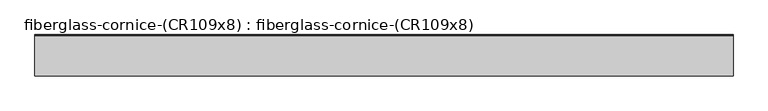
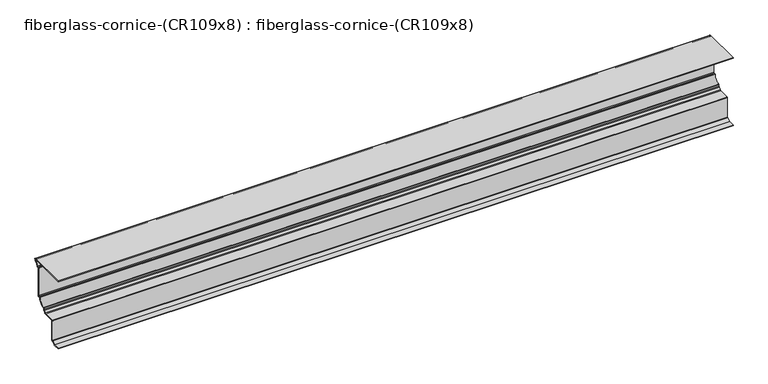
"""IFC4 building model written with IfcOpenShell, lengths in millimetres: furniture geometry, fiberglass-cornice-(CR109x8) : fiberglass-cornice-(CR109x8)."""

import ifcopenshell
import ifcopenshell.guid

model = None  # the IFC model being written
_history = None  # IfcOwnerHistory: only IFC2X3 demands one
_inside = {}  # id of a spatial element -> (the spatial element, [elements in it])
_under = {}  # id of a project, library or spatial element -> (it, [spatial elements below it])
_declared = {}  # id of a project -> (the project, [libraries it declares])
_typed = {}  # id of a type object -> (the type object, [elements of that type])
_made_of = {}  # id of a material, layer set ... -> (it, [elements and type objects made of it])


def new_model(schema):
    """Start an empty IFC model of exactly this schema.

    Asked for "IFC4X3", IfcOpenShell would pick the latest addendum, in which some entities
    have other attributes; the version numbers below select the first issue.
    IFC2X3 requires an IfcOwnerHistory on every rooted entity: one is made here for all.
    """
    global model, _history
    if schema == "IFC4X3":
        model = ifcopenshell.file(schema_version=(4, 3, 0, 0))
    else:
        model = ifcopenshell.file(schema=schema)
    _inside.clear()
    _under.clear()
    _declared.clear()
    _typed.clear()
    _made_of.clear()
    _history = None
    if model.schema == "IFC2X3":
        org = make("IfcOrganization", Name="unknown")
        user = make(
            "IfcPersonAndOrganization",
            ThePerson=make("IfcPerson", FamilyName="unknown"),
            TheOrganization=org,
        )
        app = make(
            "IfcApplication",
            ApplicationDeveloper=org,
            Version="unknown",
            ApplicationFullName="unknown",
            ApplicationIdentifier="unknown",
        )
        _history = make(
            "IfcOwnerHistory",
            OwningUser=user,
            OwningApplication=app,
            ChangeAction="ADDED",
            CreationDate=0,
        )
    return model


def make(cls, **values):
    """One entity of the class cls with the attributes given. An attribute that is None is left unset."""
    return model.create_entity(
        cls, **{name: value for name, value in values.items() if value is not None}
    )


def rooted(cls, **values):
    """An entity with a GlobalId (a new one), such as an element, a storey or a relation."""
    return make(cls, GlobalId=ifcopenshell.guid.new(), OwnerHistory=_history, **values)


def si_unit(unit_type, name, prefix=None):
    """IfcSIUnit, for example si_unit("LENGTHUNIT", "METRE", prefix="MILLI")."""
    return make("IfcSIUnit", UnitType=unit_type, Prefix=prefix, Name=name)


def assignment(units):
    """IfcUnitAssignment: the units of a project."""
    return None if units is None else make("IfcUnitAssignment", Units=units)


def point(xyz):
    """IfcCartesianPoint."""
    return None if xyz is None else make("IfcCartesianPoint", Coordinates=xyz)


def direction(xyz):
    """IfcDirection."""
    return None if xyz is None else make("IfcDirection", DirectionRatios=xyz)


def frame(location, z_axis=None, x_axis=None):
    """IfcAxis2Placement3D, a coordinate frame: its origin and axes. An axis left out is left unset."""
    return make(
        "IfcAxis2Placement3D",
        Location=point(location),
        Axis=direction(z_axis),
        RefDirection=direction(x_axis),
    )


def origin():
    """The frame at (0, 0, 0) with its axes left unset."""
    return frame((0.0, 0.0, 0.0))


def place(relative_to, where):
    """IfcLocalPlacement: puts the frame where relative to a parent placement (None: the world)."""
    return make(
        "IfcLocalPlacement", PlacementRelTo=relative_to, RelativePlacement=where
    )


def context(
    kind, dimensions, precision=None, world=None, true_north=None, identifier=None
):
    """IfcGeometricRepresentationContext, for example the 3D "Model" context."""
    return make(
        "IfcGeometricRepresentationContext",
        ContextIdentifier=identifier,
        ContextType=kind,
        CoordinateSpaceDimension=dimensions,
        Precision=precision,
        WorldCoordinateSystem=world,
        TrueNorth=true_north,
    )


def project(units=None, contexts=None):
    """IfcProject with its units and contexts."""
    return rooted(
        "IfcProject",
        Name="project",
        RepresentationContexts=contexts,
        UnitsInContext=assignment(units),
    )


def spatial(cls, under=None, at=None, **own):
    """A site, building, storey or space (cls), placed at a placement, below another one or the project."""
    s = rooted(cls, ObjectPlacement=at, **own)
    if under is not None:
        _under.setdefault(under.id(), (under, []))[1].append(s)
    return s


def polyline(points):
    """IfcPolyline through the points."""
    return make("IfcPolyline", Points=[point(p) for p in points])


def circle_curve(where, radius):
    """IfcCircle in the frame where."""
    return make("IfcCircle", Position=where, Radius=radius)


def shape(context_of_items, identifier, shape_type, items):
    """IfcShapeRepresentation: the items that make up one representation, for example the "Body"."""
    return make(
        "IfcShapeRepresentation",
        ContextOfItems=context_of_items,
        RepresentationIdentifier=identifier,
        RepresentationType=shape_type,
        Items=items,
    )


def source(mapping_origin, context_of_items, identifier, shape_type, items):
    """IfcRepresentationMap: a shape defined once, which mapped items show again and again."""
    return make(
        "IfcRepresentationMap",
        MappingOrigin=mapping_origin,
        MappedRepresentation=shape(context_of_items, identifier, shape_type, items),
    )


def transform(
    local_origin,
    x_axis=None,
    y_axis=None,
    z_axis=None,
    scale=None,
    scale2=None,
    scale3=None,
    uniform=True,
):
    """IfcCartesianTransformationOperator3D, or its non-uniform kind. x_axis, y_axis, z_axis: its Axis1, 2, 3."""
    if uniform:
        return make(
            "IfcCartesianTransformationOperator3D",
            Axis1=direction(x_axis),
            Axis2=direction(y_axis),
            LocalOrigin=point(local_origin),
            Scale=scale,
            Axis3=direction(z_axis),
        )
    return make(
        "IfcCartesianTransformationOperator3DnonUniform",
        Axis1=direction(x_axis),
        Axis2=direction(y_axis),
        LocalOrigin=point(local_origin),
        Scale=scale,
        Axis3=direction(z_axis),
        Scale2=scale2,
        Scale3=scale3,
    )


def mapped(mapping_source, mapping_target):
    """IfcMappedItem: shows the shape of a source again, moved by a transform."""
    return make(
        "IfcMappedItem", MappingSource=mapping_source, MappingTarget=mapping_target
    )


def made_of(thing, what):
    """Note that an element or type object is made of a material, layer set ...; save() writes the relation."""
    if what is not None:
        _made_of.setdefault(what.id(), (what, []))[1].append(thing)
    return thing


def element(
    cls,
    number,
    at=None,
    inside=None,
    cuts=None,
    type_object=None,
    material=None,
    context=None,
    identifier="Body",
    shape_type=None,
    held_by="IfcProductDefinitionShape",
    body=None,
    shapes=None,
    **own,
):
    """One element of the class cls, such as IfcWall. Its Tag is "e" and its number.

    at: its placement. inside: the storey or other place that contains it. cuts: it is an
    opening in that element (IfcRelVoidsElement). A single representation is given by context,
    identifier, shape_type and body (its items); several are given by shapes. held_by: the class
    of the entity that holds the representations. save() writes the other relations.
    """
    e = rooted(cls, Tag="e%d" % number, ObjectPlacement=at, **own)
    if body is not None:
        shapes = [shape(context, identifier, shape_type, body)]
    if shapes is not None:
        e.Representation = make(held_by, Representations=shapes)
    if inside is not None:
        _inside.setdefault(inside.id(), (inside, []))[1].append(e)
    if cuts is not None:
        rooted(
            "IfcRelVoidsElement", RelatingBuildingElement=cuts, RelatedOpeningElement=e
        )
    if type_object is not None:
        _typed.setdefault(type_object.id(), (type_object, []))[1].append(e)
    return made_of(e, material)


def aggregate(whole, parts):
    """IfcRelAggregates: a whole, such as a stair, and the parts it consists of."""
    return rooted("IfcRelAggregates", RelatingObject=whole, RelatedObjects=parts)


def save(model, path):
    """Write the relations noted so far, then the file.

    IfcRelAggregates (storeys below a building ...), IfcRelContainedInSpatialStructure (elements
    in a storey), IfcRelDefinesByType, IfcRelAssociatesMaterial and IfcRelDeclares: one each for
    every whole, place, type object, material and project.
    """
    for whole, parts in _under.values():
        aggregate(whole, parts)
    for where, things in _inside.values():
        rooted(
            "IfcRelContainedInSpatialStructure",
            RelatedElements=things,
            RelatingStructure=where,
        )
    for kind, things in _typed.values():
        rooted("IfcRelDefinesByType", RelatedObjects=things, RelatingType=kind)
    for what, things in _made_of.values():
        rooted("IfcRelAssociatesMaterial", RelatedObjects=things, RelatingMaterial=what)
    for by, libraries in _declared.values():
        rooted("IfcRelDeclares", RelatingContext=by, RelatedDefinitions=libraries)
    model.write(path)


def plane_surface(at):
    """IfcPlane: the flat surface through the origin of the frame at, square to its z axis."""
    return make("IfcPlane", Position=at)


def cylinder_surface(at, radius):
    """IfcCylindricalSurface: all points at the distance radius from the z axis of the frame at."""
    return make("IfcCylindricalSurface", Position=at, Radius=radius)


def revolved_surface(curve, axis_point, axis_direction):
    """IfcSurfaceOfRevolution: the curve turned about the line through axis_point along axis_direction."""
    return make(
        "IfcSurfaceOfRevolution",
        SweptCurve=make("IfcArbitraryOpenProfileDef", ProfileType="CURVE", Curve=curve),
        AxisPosition=make("IfcAxis1Placement", Location=point(axis_point), Axis=direction(axis_direction)),
    )


def advanced_brep(points, edges, surfaces, faces):
    """IfcAdvancedBrep: a solid bounded by faces that lie on surfaces and meet in shared edges.

    An edge is (start, end): straight between two places in points (the first is 0);
    or (start, end, curve); or (start, end, curve, False) where it runs against its curve.
    A face is (place in surfaces, loops), or (place, loops, False) where it looks against
    its surface's normal. A loop lists edges by number (the first is 1), with a minus sign
    where the edge is run from its end to its start. The first loop is the outer one.
    """
    corners = [point(p) for p in points]
    vertices = [make("IfcVertexPoint", VertexGeometry=c) for c in corners]
    made = []
    for start, end, *more in edges:
        made.append(
            make(
                "IfcEdgeCurve",
                EdgeStart=vertices[start],
                EdgeEnd=vertices[end],
                EdgeGeometry=more[0] if more else make("IfcPolyline", Points=[corners[start], corners[end]]),
                SameSense=more[1] if len(more) > 1 else True,
            )
        )
    hull = []
    for where, loops, *sense in faces:
        bounds = []
        for j, loop in enumerate(loops):
            ring = [make("IfcOrientedEdge", EdgeElement=made[abs(k) - 1], Orientation=k > 0) for k in loop]
            bounds.append(
                make(
                    "IfcFaceOuterBound" if j == 0 else "IfcFaceBound",
                    Bound=make("IfcEdgeLoop", EdgeList=ring),
                    Orientation=True,
                )
            )
        hull.append(make("IfcAdvancedFace", Bounds=bounds, FaceSurface=surfaces[where], SameSense=sense[0] if sense else True))
    return make("IfcAdvancedBrep", Outer=make("IfcClosedShell", CfsFaces=hull))


def fiberglass_cornice_cr109x8_fiberglass_cornice_cr109x8_46ac6858(model_context):
    return source(origin(), model_context, "Body", "AdvancedBrep", [
        advanced_brep(
        [(2012.9498044, 101.6, 330.1999904), (2012.9498044, 101.6, 326.7075159), (2012.9498044, 330.5800644, 326.7075159), (2012.9498044, 334.2664711, 319.778644), (2012.9498044, 327.4334153, 313.5386179), (2012.9498044, 313.7678753, 297.058719), (2012.9498044, 309.5063673, 293.8776709), (2012.9498044, 304.4761467, 293.877665), (2012.9498044, 302.5758949, 291.977227), (2012.9498044, 302.5758949, 119.3625517), (2012.9498044, 298.1308895, 114.9175536), (2012.9498044, 290.1271402, 114.9175502), (2012.9498044, 288.2197195, 112.9468366), (2012.9498044, 249.8963796, 75.1443007), (2012.9498044, 247.899839, 73.2126254), (2012.9498044, 247.899839, 63.66596), (2012.9498044, 245.0169938, 59.5045897), (2012.9498044, 234.0837271, 48.3440768), (2012.9498044, 229.8973546, 45.3755297), (2012.9498044, 162.2994629, 45.3755297), (2012.9498044, 160.3945165, 43.4705253), (2012.9498044, 160.3944984, -78.7939943), (2012.9498044, 157.5332035, -82.2204248), (2012.9498044, 138.3634782, -93.7106914), (2012.9498044, 101.6, -93.7106914), (2012.9498044, 101.6, -97.2031914), (2012.9498044, 138.5287162, -97.2031914), (2012.9498044, 141.1346308, -95.8419813), (2012.9498044, 158.4675566, -85.6292824), (2012.9498044, 159.8919814, -83.9885744), (2012.9498044, 161.4803957, -82.3395923), (2012.9498044, 163.6206151, -82.3395923), (2012.9498044, 165.2070008, -80.7520927), (2012.9498044, 165.2072159, 38.6710672), (2012.9498044, 168.3820008, 41.8830253), (2012.9498044, 233.5774063, 41.8830253), (2012.9498044, 236.7130273, 44.5595221), (2012.9498044, 248.7930949, 56.9424353), (2012.9498044, 251.39212, 60.0647546), (2012.9498044, 251.3921944, 68.5105201), (2012.9498044, 254.3535995, 71.7000635), (2012.9498044, 291.6074181, 108.502199), (2012.9498044, 294.7723901, 111.4250536), (2012.9498044, 302.9001636, 111.4250608), (2012.9498044, 306.0682503, 114.5703226), (2012.9498044, 306.0682503, 287.2101702), (2012.9498044, 309.251462, 290.3851606), (2012.9498044, 313.2980553, 290.3851606), (2012.9498044, 316.4333505, 293.0594054), (2012.9498044, 329.0690578, 310.4524332), (2012.9498044, 340.704306, 326.4317504), (2012.9498044, 337.5936981, 330.1999904), (-2012.9498044, 101.6, 330.1999904), (-2012.9498044, 337.5936981, 330.1999904), (-2012.9498044, 340.704306, 326.4317504), (-2012.9498044, 329.0690578, 310.4524332), (-2012.9498044, 316.4333505, 293.0594054), (-2012.9498044, 313.2980899, 290.3851709), (-2012.9498044, 309.251462, 290.3851606), (-2012.9498044, 306.0683895, 287.2101709), (-2012.9498044, 306.0682503, 114.5703226), (-2012.9498044, 302.9001636, 111.4250608), (-2012.9498044, 294.7724548, 111.4250608), (-2012.9498044, 291.6074181, 108.502199), (-2012.9498044, 254.3535995, 71.7000635), (-2012.9498044, 251.3921944, 68.5105201), (-2012.9498044, 251.3921944, 60.0647517), (-2012.9498044, 248.7930949, 56.9424353), (-2012.9498044, 236.7130273, 44.5595221), (-2012.9498044, 233.5774063, 41.8830253), (-2012.9498044, 168.3820008, 41.8830253), (-2012.9498044, 165.2072159, 38.6710672), (-2012.9498044, 165.2072159, -80.7520933), (-2012.9498044, 163.6206151, -82.3395923), (-2012.9498044, 161.4803957, -82.3395923), (-2012.9498044, 159.8919814, -83.9885744), (-2012.9498044, 158.4675566, -85.6292824), (-2012.9498044, 141.1346308, -95.8419813), (-2012.9498044, 138.5287162, -97.2031914), (-2012.9498044, 101.6, -97.2031914), (-2012.9498044, 101.6, -93.7106914), (-2012.9498044, 138.3634782, -93.7106914), (-2012.9498044, 157.5332035, -82.2204248), (-2012.9498044, 160.3944984, -78.7939943), (-2012.9498044, 160.3944984, 43.4705205), (-2012.9498044, 162.2995165, 45.3755253), (-2012.9498044, 229.8973546, 45.3755297), (-2012.9498044, 234.0837271, 48.3440768), (-2012.9498044, 245.0169938, 59.5045897), (-2012.9498044, 247.89962, 63.6659613), (-2012.9498044, 247.899839, 73.2126254), (-2012.9498044, 249.8963796, 75.1443007), (-2012.9498044, 288.2197195, 112.9468366), (-2012.9498044, 290.1271402, 114.9175502), (-2012.9498044, 298.1308189, 114.9175502), (-2012.9498044, 302.5758895, 119.3625536), (-2012.9498044, 302.5758949, 291.977227), (-2012.9498044, 304.4761467, 293.877665), (-2012.9498044, 309.5062462, 293.877665), (-2012.9498044, 313.7678753, 297.058719), (-2012.9498044, 327.4334153, 313.5386179), (-2012.9498044, 334.2664711, 319.778644), (-2012.9498044, 330.5802161, 326.7075017), (-2012.9498044, 101.6, 326.7075159)],
        [
            (0, 1),
            (1, 2),
            (2, 3, circle_curve(frame((2012.9498044, 330.5802161, 322.2625017), z_axis=(-1.0, 0.0, 0.0), x_axis=(0.0, 1.0, 0.0)), 4.445)),
            (3, 4, circle_curve(frame((2012.9498044, 317.9775256, 330.754397), z_axis=(-1.0, 0.0, 0.0), x_axis=(0.0, 1.0, 0.0)), 19.6417132)),
            (4, 5, circle_curve(frame((2012.9498044, 339.8759019, 289.3151486), z_axis=(1.0, 0.0, 0.0), x_axis=(0.0, 1.0, 0.0)), 27.2321857)),
            (5, 6, circle_curve(frame((2012.9498044, 309.5063673, 298.3226709), z_axis=(-1.0, 0.0, 0.0), x_axis=(0.0, 1.0, 0.0)), 4.445)),
            (6, 7),
            (7, 8, circle_curve(frame((2012.9498044, 304.4808895, 291.9726709), z_axis=(1.0, 0.0, 0.0), x_axis=(0.0, 1.0, 0.0)), 1.905)),
            (8, 9),
            (9, 10, circle_curve(frame((2012.9498044, 298.1308895, 119.3625536), z_axis=(-1.0, 0.0, 0.0), x_axis=(0.0, 1.0, 0.0)), 4.445)),
            (10, 11),
            (11, 12, circle_curve(frame((2012.9498044, 290.1235856, 113.0125536), z_axis=(1.0, 0.0, 0.0), x_axis=(0.0, 1.0, 0.0)), 1.905)),
            (12, 13, circle_curve(frame((2012.9498044, 251.658501, 111.6848301), z_axis=(-1.0, 0.0, 0.0), x_axis=(0.0, 1.0, 0.0)), 36.5829927)),
            (13, 14, circle_curve(frame((2012.9498044, 249.80462, 73.2415119), z_axis=(1.0, 0.0, 0.0), x_axis=(0.0, 1.0, 0.0)), 1.905)),
            (14, 15),
            (15, 16, circle_curve(frame((2012.9498044, 243.45462, 63.6659613), z_axis=(-1.0, 0.0, 0.0), x_axis=(0.0, 1.0, 0.0)), 4.445)),
            (16, 17, circle_curve(frame((2012.9498044, 251.5113672, 42.2068722), z_axis=(1.0, 0.0, 0.0), x_axis=(0.0, 1.0, 0.0)), 18.4766858)),
            (17, 18, circle_curve(frame((2012.9498044, 229.8910997, 49.8205253), z_axis=(-1.0, 0.0, 0.0), x_axis=(0.0, 1.0, 0.0)), 4.445)),
            (18, 19),
            (19, 20, circle_curve(frame((2012.9498044, 162.2995165, 43.4705253), z_axis=(1.0, 0.0, 0.0), x_axis=(0.0, 1.0, 0.0)), 1.905)),
            (20, 21),
            (21, 22, circle_curve(frame((2012.9498044, 156.8988131, -78.7827671), z_axis=(-1.0, 0.0, 0.0), x_axis=(0.0, 1.0, 0.0)), 3.4957034)),
            (22, 23, circle_curve(frame((2012.9498044, 160.9265808, -109.6177358), z_axis=(1.0, 0.0, 0.0), x_axis=(0.0, 1.0, 0.0)), 27.6066597)),
            (23, 24),
            (24, 25),
            (25, 26),
            (26, 27, circle_curve(frame((2012.9498044, 138.5287162, -94.0281914), z_axis=(1.0, 0.0, 0.0), x_axis=(0.0, 1.0, 0.0)), 3.175)),
            (27, 28, circle_curve(frame((2012.9498044, 160.9265808, -109.6177358), z_axis=(-1.0, 0.0, 0.0), x_axis=(0.0, 1.0, 0.0)), 24.1141597)),
            (28, 29, circle_curve(frame((2012.9498044, 158.3056724, -84.050058), z_axis=(1.0, 0.0, 0.0), x_axis=(0.0, 1.0, 0.0)), 1.5875)),
            (29, 30, circle_curve(frame((2012.9498044, 161.4782903, -83.9270909), z_axis=(-1.0, 0.0, 0.0), x_axis=(0.0, 1.0, 0.0)), 1.5875)),
            (30, 31),
            (31, 32, circle_curve(frame((2012.9498044, 163.6195008, -80.7520927), z_axis=(1.0, 0.0, 0.0), x_axis=(0.0, 1.0, 0.0)), 1.5875)),
            (32, 33),
            (33, 34, circle_curve(frame((2012.9498044, 168.3820008, 38.7080253), z_axis=(-1.0, 0.0, 0.0), x_axis=(0.0, 1.0, 0.0)), 3.175)),
            (34, 35),
            (35, 36, circle_curve(frame((2012.9498044, 233.5774063, 45.0580253), z_axis=(1.0, 0.0, 0.0), x_axis=(0.0, 1.0, 0.0)), 3.175)),
            (36, 37, circle_curve(frame((2012.9498044, 251.5113672, 42.2068722), z_axis=(-1.0, 0.0, 0.0), x_axis=(0.0, 1.0, 0.0)), 14.9841858)),
            (37, 38, circle_curve(frame((2012.9498044, 248.21712, 60.0647546), z_axis=(1.0, 0.0, 0.0), x_axis=(0.0, 1.0, 0.0)), 3.175)),
            (38, 39),
            (39, 40, circle_curve(frame((2012.9498044, 254.56712, 68.5322513), z_axis=(-1.0, 0.0, 0.0), x_axis=(0.0, 1.0, 0.0)), 3.175)),
            (40, 41, circle_curve(frame((2012.9498044, 251.658501, 111.6848301), z_axis=(1.0, 0.0, 0.0), x_axis=(0.0, 1.0, 0.0)), 40.0754927)),
            (41, 42, circle_curve(frame((2012.9498044, 294.7723901, 108.2500536), z_axis=(-1.0, 0.0, 0.0), x_axis=(0.0, 1.0, 0.0)), 3.175)),
            (42, 43),
            (43, 44, circle_curve(frame((2012.9498044, 302.8933895, 114.6000536), z_axis=(1.0, 0.0, 0.0), x_axis=(0.0, 1.0, 0.0)), 3.175)),
            (44, 45),
            (45, 46, circle_curve(frame((2012.9498044, 309.2433895, 287.2101709), z_axis=(-1.0, 0.0, 0.0), x_axis=(0.0, 1.0, 0.0)), 3.175)),
            (46, 47),
            (47, 48, circle_curve(frame((2012.9498044, 313.2980899, 293.5601709), z_axis=(1.0, 0.0, 0.0), x_axis=(0.0, 1.0, 0.0)), 3.175)),
            (48, 49, circle_curve(frame((2012.9498044, 339.8759019, 289.3151486), z_axis=(-1.0, 0.0, 0.0), x_axis=(0.0, 1.0, 0.0)), 23.7396857)),
            (49, 50, circle_curve(frame((2012.9498044, 317.9775256, 330.754397), z_axis=(1.0, 0.0, 0.0), x_axis=(0.0, 1.0, 0.0)), 23.1342132)),
            (50, 51, circle_curve(frame((2012.9498044, 337.5852232, 327.0250017), z_axis=(1.0, 0.0, 0.0), x_axis=(0.0, 1.0, 0.0)), 3.175)),
            (51, 0),
            (52, 53),
            (53, 54, circle_curve(frame((-2012.9498044, 337.5852232, 327.0250017), z_axis=(-1.0, 0.0, 0.0), x_axis=(0.0, 1.0, 0.0)), 3.175)),
            (54, 55, circle_curve(frame((-2012.9498044, 317.9775256, 330.754397), z_axis=(-1.0, 0.0, 0.0), x_axis=(0.0, 1.0, 0.0)), 23.1342132)),
            (55, 56, circle_curve(frame((-2012.9498044, 339.8759019, 289.3151486), z_axis=(1.0, 0.0, 0.0), x_axis=(0.0, 1.0, 0.0)), 23.7396857)),
            (56, 57, circle_curve(frame((-2012.9498044, 313.2980899, 293.5601709), z_axis=(-1.0, 0.0, 0.0), x_axis=(0.0, 1.0, 0.0)), 3.175)),
            (57, 58),
            (58, 59, circle_curve(frame((-2012.9498044, 309.2433895, 287.2101709), z_axis=(1.0, 0.0, 0.0), x_axis=(0.0, 1.0, 0.0)), 3.175)),
            (59, 60),
            (60, 61, circle_curve(frame((-2012.9498044, 302.8933895, 114.6000536), z_axis=(-1.0, 0.0, 0.0), x_axis=(0.0, 1.0, 0.0)), 3.175)),
            (61, 62),
            (62, 63, circle_curve(frame((-2012.9498044, 294.7723901, 108.2500536), z_axis=(1.0, 0.0, 0.0), x_axis=(0.0, 1.0, 0.0)), 3.175)),
            (63, 64, circle_curve(frame((-2012.9498044, 251.658501, 111.6848301), z_axis=(-1.0, 0.0, 0.0), x_axis=(0.0, 1.0, 0.0)), 40.0754927)),
            (64, 65, circle_curve(frame((-2012.9498044, 254.56712, 68.5322513), z_axis=(1.0, 0.0, 0.0), x_axis=(0.0, 1.0, 0.0)), 3.175)),
            (65, 66),
            (66, 67, circle_curve(frame((-2012.9498044, 248.21712, 60.0647546), z_axis=(-1.0, 0.0, 0.0), x_axis=(0.0, 1.0, 0.0)), 3.175)),
            (67, 68, circle_curve(frame((-2012.9498044, 251.5113672, 42.2068722), z_axis=(1.0, 0.0, 0.0), x_axis=(0.0, 1.0, 0.0)), 14.9841858)),
            (68, 69, circle_curve(frame((-2012.9498044, 233.5774063, 45.0580253), z_axis=(-1.0, 0.0, 0.0), x_axis=(0.0, 1.0, 0.0)), 3.175)),
            (69, 70),
            (70, 71, circle_curve(frame((-2012.9498044, 168.3820008, 38.7080253), z_axis=(1.0, 0.0, 0.0), x_axis=(0.0, 1.0, 0.0)), 3.175)),
            (71, 72),
            (72, 73, circle_curve(frame((-2012.9498044, 163.6195008, -80.7520927), z_axis=(-1.0, 0.0, 0.0), x_axis=(0.0, 1.0, 0.0)), 1.5875)),
            (73, 74),
            (74, 75, circle_curve(frame((-2012.9498044, 161.4782903, -83.9270909), z_axis=(1.0, 0.0, 0.0), x_axis=(0.0, 1.0, 0.0)), 1.5875)),
            (75, 76, circle_curve(frame((-2012.9498044, 158.3056724, -84.050058), z_axis=(-1.0, 0.0, 0.0), x_axis=(0.0, 1.0, 0.0)), 1.5875)),
            (76, 77, circle_curve(frame((-2012.9498044, 160.9265808, -109.6177358), z_axis=(1.0, 0.0, 0.0), x_axis=(0.0, 1.0, 0.0)), 24.1141597)),
            (77, 78, circle_curve(frame((-2012.9498044, 138.5287162, -94.0281914), z_axis=(-1.0, 0.0, 0.0), x_axis=(0.0, 1.0, 0.0)), 3.175)),
            (78, 79),
            (79, 80),
            (80, 81),
            (81, 82, circle_curve(frame((-2012.9498044, 160.9265808, -109.6177358), z_axis=(-1.0, 0.0, 0.0), x_axis=(0.0, 1.0, 0.0)), 27.6066597)),
            (82, 83, circle_curve(frame((-2012.9498044, 156.8988131, -78.7827671), z_axis=(1.0, 0.0, 0.0), x_axis=(0.0, 1.0, 0.0)), 3.4957034)),
            (83, 84),
            (84, 85, circle_curve(frame((-2012.9498044, 162.2995165, 43.4705253), z_axis=(-1.0, 0.0, 0.0), x_axis=(0.0, 1.0, 0.0)), 1.905)),
            (85, 86),
            (86, 87, circle_curve(frame((-2012.9498044, 229.8910997, 49.8205253), z_axis=(1.0, 0.0, 0.0), x_axis=(0.0, 1.0, 0.0)), 4.445)),
            (87, 88, circle_curve(frame((-2012.9498044, 251.5113672, 42.2068722), z_axis=(-1.0, 0.0, 0.0), x_axis=(0.0, 1.0, 0.0)), 18.4766858)),
            (88, 89, circle_curve(frame((-2012.9498044, 243.45462, 63.6659613), z_axis=(1.0, 0.0, 0.0), x_axis=(0.0, 1.0, 0.0)), 4.445)),
            (89, 90),
            (90, 91, circle_curve(frame((-2012.9498044, 249.80462, 73.2415119), z_axis=(-1.0, 0.0, 0.0), x_axis=(0.0, 1.0, 0.0)), 1.905)),
            (91, 92, circle_curve(frame((-2012.9498044, 251.658501, 111.6848301), z_axis=(1.0, 0.0, 0.0), x_axis=(0.0, 1.0, 0.0)), 36.5829927)),
            (92, 93, circle_curve(frame((-2012.9498044, 290.1235856, 113.0125536), z_axis=(-1.0, 0.0, 0.0), x_axis=(0.0, 1.0, 0.0)), 1.905)),
            (93, 94),
            (94, 95, circle_curve(frame((-2012.9498044, 298.1308895, 119.3625536), z_axis=(1.0, 0.0, 0.0), x_axis=(0.0, 1.0, 0.0)), 4.445)),
            (95, 96),
            (96, 97, circle_curve(frame((-2012.9498044, 304.4808895, 291.9726709), z_axis=(-1.0, 0.0, 0.0), x_axis=(0.0, 1.0, 0.0)), 1.905)),
            (97, 98),
            (98, 99, circle_curve(frame((-2012.9498044, 309.5063673, 298.3226709), z_axis=(1.0, 0.0, 0.0), x_axis=(0.0, 1.0, 0.0)), 4.445)),
            (99, 100, circle_curve(frame((-2012.9498044, 339.8759019, 289.3151486), z_axis=(-1.0, 0.0, 0.0), x_axis=(0.0, 1.0, 0.0)), 27.2321857)),
            (100, 101, circle_curve(frame((-2012.9498044, 317.9775256, 330.754397), z_axis=(1.0, 0.0, 0.0), x_axis=(0.0, 1.0, 0.0)), 19.6417132)),
            (101, 102, circle_curve(frame((-2012.9498044, 330.5802161, 322.2625017), z_axis=(1.0, 0.0, 0.0), x_axis=(0.0, 1.0, 0.0)), 4.445)),
            (102, 103),
            (103, 52),
            (0, 52),
            (103, 1),
            (102, 2),
            (101, 3),
            (100, 4),
            (99, 5),
            (98, 6),
            (97, 7),
            (96, 8),
            (95, 9),
            (94, 10),
            (93, 11),
            (92, 12),
            (91, 13),
            (90, 14),
            (89, 15),
            (88, 16),
            (87, 17),
            (86, 18),
            (85, 19),
            (84, 20),
            (83, 21),
            (82, 22),
            (81, 23),
            (80, 24),
            (79, 25),
            (78, 26),
            (77, 27),
            (76, 28),
            (75, 29),
            (74, 30),
            (73, 31),
            (72, 32),
            (71, 33),
            (70, 34),
            (69, 35),
            (68, 36),
            (67, 37),
            (66, 38),
            (65, 39),
            (64, 40),
            (63, 41),
            (62, 42),
            (61, 43),
            (60, 44),
            (59, 45),
            (58, 46),
            (57, 47),
            (56, 48),
            (55, 49),
            (54, 50),
            (53, 51),
        ],
        [
            plane_surface(frame((2012.9498044, 101.6, 330.1999904), z_axis=(1.0, 0.0, 0.0), x_axis=(0.0, 0.0, 1.0))),
            plane_surface(frame((-2012.9498044, 101.6, 330.1999904), z_axis=(-1.0, 0.0, 0.0), x_axis=(0.0, 0.0, 1.0))),
            plane_surface(frame((2012.9498044, 101.6, 330.1999904), z_axis=(0.0, -1.0, 0.0), x_axis=(-1.0, 0.0, 0.0))),
            plane_surface(frame((2012.9498044, 101.6, 326.7075159), z_axis=(0.0, 0.0, -1.0), x_axis=(-1.0, 0.0, 0.0))),
            revolved_surface(polyline([(-2012.9498044, 335.02521609999997, 322.2625017), (2012.9498044, 335.02521609999997, 322.2625017)]), (2012.9498044, 330.5802161, 322.2625017), (-1.0, 0.0, 0.0)),
            revolved_surface(polyline([(-2012.9498044, 337.6192388, 330.754397), (2012.9498044, 337.6192388, 330.754397)]), (2012.9498044, 317.9775256, 330.754397), (-1.0, 0.0, 0.0)),
            cylinder_surface(frame((2012.9498044, 339.8759019, 289.3151486), z_axis=(1.0, 0.0, 0.0), x_axis=(0.0, 1.0, 0.0)), 27.2321857),
            revolved_surface(polyline([(-2012.9498044, 313.9513673, 298.3226709), (2012.9498044, 313.9513673, 298.3226709)]), (2012.9498044, 309.5063673, 298.3226709), (-1.0, 0.0, 0.0)),
            plane_surface(frame((2012.9498044, 309.5062462, 293.877665), z_axis=(0.0, 0.0, 1.0), x_axis=(-1.0, 0.0, 0.0))),
            cylinder_surface(frame((2012.9498044, 304.4808895, 291.9726709), z_axis=(1.0, 0.0, 0.0), x_axis=(0.0, 1.0, 0.0)), 1.905),
            plane_surface(frame((2012.9498044, 302.5758949, 291.977227), z_axis=(0.0, -1.0, 0.0), x_axis=(-1.0, 0.0, 0.0))),
            revolved_surface(polyline([(-2012.9498044, 302.5758895, 119.3625536), (2012.9498044, 302.5758895, 119.3625536)]), (2012.9498044, 298.1308895, 119.3625536), (-1.0, 0.0, 0.0)),
            plane_surface(frame((2012.9498044, 298.1308189, 114.9175502), z_axis=(0.0, 0.0, 1.0), x_axis=(-1.0, 0.0, 0.0))),
            cylinder_surface(frame((2012.9498044, 290.1235856, 113.0125536), z_axis=(1.0, 0.0, 0.0), x_axis=(0.0, 1.0, 0.0)), 1.905),
            revolved_surface(polyline([(-2012.9498044, 288.2414937, 111.6848301), (2012.9498044, 288.2414937, 111.6848301)]), (2012.9498044, 251.658501, 111.6848301), (-1.0, 0.0, 0.0)),
            cylinder_surface(frame((2012.9498044, 249.80462, 73.2415119), z_axis=(1.0, 0.0, 0.0), x_axis=(0.0, 1.0, 0.0)), 1.905),
            plane_surface(frame((2012.9498044, 247.899839, 73.2126254), z_axis=(0.0, -1.0, 0.0), x_axis=(-1.0, 0.0, 0.0))),
            revolved_surface(polyline([(-2012.9498044, 247.89962, 63.6659613), (2012.9498044, 247.89962, 63.6659613)]), (2012.9498044, 243.45462, 63.6659613), (-1.0, 0.0, 0.0)),
            cylinder_surface(frame((2012.9498044, 251.5113672, 42.2068722), z_axis=(1.0, 0.0, 0.0), x_axis=(0.0, 1.0, 0.0)), 18.4766858),
            revolved_surface(polyline([(-2012.9498044, 234.3360997, 49.8205253), (2012.9498044, 234.3360997, 49.8205253)]), (2012.9498044, 229.8910997, 49.8205253), (-1.0, 0.0, 0.0)),
            plane_surface(frame((2012.9498044, 229.8973546, 45.3755297), z_axis=(0.0, 0.0, 1.0), x_axis=(-1.0, 0.0, 0.0))),
            cylinder_surface(frame((2012.9498044, 162.2995165, 43.4705253), z_axis=(1.0, 0.0, 0.0), x_axis=(0.0, 1.0, 0.0)), 1.905),
            plane_surface(frame((2012.9498044, 160.3944984, 43.4705205), z_axis=(0.0, -1.0, 0.0), x_axis=(-1.0, 0.0, 0.0))),
            revolved_surface(polyline([(-2012.9498044, 160.3945165, -78.7827671), (2012.9498044, 160.3945165, -78.7827671)]), (2012.9498044, 156.8988131, -78.7827671), (-1.0, 0.0, 0.0)),
            cylinder_surface(frame((2012.9498044, 160.9265808, -109.6177358), z_axis=(1.0, 0.0, 0.0), x_axis=(0.0, 1.0, 0.0)), 27.6066597),
            plane_surface(frame((2012.9498044, 138.3634782, -93.7106914), z_axis=(0.0, 0.0, 1.0), x_axis=(-1.0, 0.0, 0.0))),
            plane_surface(frame((2012.9498044, 101.6, -93.7106914), z_axis=(0.0, -1.0, 0.0), x_axis=(-1.0, 0.0, 0.0))),
            plane_surface(frame((2012.9498044, 101.6, -97.2031914), z_axis=(0.0, 0.0, -1.0), x_axis=(-1.0, 0.0, 0.0))),
            cylinder_surface(frame((2012.9498044, 138.5287162, -94.0281914), z_axis=(1.0, 0.0, 0.0), x_axis=(0.0, 1.0, 0.0)), 3.175),
            revolved_surface(polyline([(-2012.9498044, 185.0407405, -109.6177358), (2012.9498044, 185.0407405, -109.6177358)]), (2012.9498044, 160.9265808, -109.6177358), (-1.0, 0.0, 0.0)),
            cylinder_surface(frame((2012.9498044, 158.3056724, -84.050058), z_axis=(1.0, 0.0, 0.0), x_axis=(0.0, 1.0, 0.0)), 1.5875),
            revolved_surface(polyline([(-2012.9498044, 163.0657903, -83.9270909), (2012.9498044, 163.0657903, -83.9270909)]), (2012.9498044, 161.4782903, -83.9270909), (-1.0, 0.0, 0.0)),
            plane_surface(frame((2012.9498044, 161.4803957, -82.3395923), z_axis=(0.0, 0.0, -1.0), x_axis=(-1.0, 0.0, 0.0))),
            cylinder_surface(frame((2012.9498044, 163.6195008, -80.7520927), z_axis=(1.0, 0.0, 0.0), x_axis=(0.0, 1.0, 0.0)), 1.5875),
            plane_surface(frame((2012.9498044, 165.2072159, -80.7520933), z_axis=(0.0, 1.0, 0.0), x_axis=(-1.0, 0.0, 0.0))),
            revolved_surface(polyline([(-2012.9498044, 171.5570008, 38.7080253), (2012.9498044, 171.5570008, 38.7080253)]), (2012.9498044, 168.3820008, 38.7080253), (-1.0, 0.0, 0.0)),
            plane_surface(frame((2012.9498044, 168.3820008, 41.8830253), z_axis=(0.0, 0.0, -1.0), x_axis=(-1.0, 0.0, 0.0))),
            cylinder_surface(frame((2012.9498044, 233.5774063, 45.0580253), z_axis=(1.0, 0.0, 0.0), x_axis=(0.0, 1.0, 0.0)), 3.175),
            revolved_surface(polyline([(-2012.9498044, 266.495553, 42.2068722), (2012.9498044, 266.495553, 42.2068722)]), (2012.9498044, 251.5113672, 42.2068722), (-1.0, 0.0, 0.0)),
            cylinder_surface(frame((2012.9498044, 248.21712, 60.0647546), z_axis=(1.0, 0.0, 0.0), x_axis=(0.0, 1.0, 0.0)), 3.175),
            plane_surface(frame((2012.9498044, 251.3921944, 60.0647517), z_axis=(0.0, 1.0, 0.0), x_axis=(-1.0, 0.0, 0.0))),
            revolved_surface(polyline([(-2012.9498044, 257.74212, 68.5322513), (2012.9498044, 257.74212, 68.5322513)]), (2012.9498044, 254.56712, 68.5322513), (-1.0, 0.0, 0.0)),
            cylinder_surface(frame((2012.9498044, 251.658501, 111.6848301), z_axis=(1.0, 0.0, 0.0), x_axis=(0.0, 1.0, 0.0)), 40.0754927),
            revolved_surface(polyline([(-2012.9498044, 297.9473901, 108.2500536), (2012.9498044, 297.9473901, 108.2500536)]), (2012.9498044, 294.7723901, 108.2500536), (-1.0, 0.0, 0.0)),
            plane_surface(frame((2012.9498044, 294.7724548, 111.4250608), z_axis=(0.0, 0.0, -1.0), x_axis=(-1.0, 0.0, 0.0))),
            cylinder_surface(frame((2012.9498044, 302.8933895, 114.6000536), z_axis=(1.0, 0.0, 0.0), x_axis=(0.0, 1.0, 0.0)), 3.175),
            plane_surface(frame((2012.9498044, 306.0682503, 114.5703226), z_axis=(0.0, 1.0, 0.0), x_axis=(-1.0, 0.0, 0.0))),
            revolved_surface(polyline([(-2012.9498044, 312.4183895, 287.2101709), (2012.9498044, 312.4183895, 287.2101709)]), (2012.9498044, 309.2433895, 287.2101709), (-1.0, 0.0, 0.0)),
            plane_surface(frame((2012.9498044, 309.251462, 290.3851606), z_axis=(0.0, 0.0, -1.0), x_axis=(-1.0, 0.0, 0.0))),
            cylinder_surface(frame((2012.9498044, 313.2980899, 293.5601709), z_axis=(1.0, 0.0, 0.0), x_axis=(0.0, 1.0, 0.0)), 3.175),
            revolved_surface(polyline([(-2012.9498044, 363.61558759999997, 289.3151486), (2012.9498044, 363.61558759999997, 289.3151486)]), (2012.9498044, 339.8759019, 289.3151486), (-1.0, 0.0, 0.0)),
            cylinder_surface(frame((2012.9498044, 317.9775256, 330.754397), z_axis=(1.0, 0.0, 0.0), x_axis=(0.0, 1.0, 0.0)), 23.1342132),
            cylinder_surface(frame((2012.9498044, 337.5852232, 327.0250017), z_axis=(1.0, 0.0, 0.0), x_axis=(0.0, 1.0, 0.0)), 3.175),
            plane_surface(frame((2012.9498044, 337.5936981, 330.1999904), z_axis=(0.0, 0.0, 1.0), x_axis=(-1.0, 0.0, 0.0))),
        ],
        [
            (0, [[1, 2, 3, 4, 5, 6, 7, 8, 9, 10, 11, 12, 13, 14, 15, 16, 17, 18, 19, 20, 21, 22, 23, 24, 25, 26, 27, 28, 29, 30, 31, 32, 33, 34, 35, 36, 37, 38, 39, 40, 41, 42, 43, 44, 45, 46, 47, 48, 49, 50, 51, 52]]),
            (1, [[53, 54, 55, 56, 57, 58, 59, 60, 61, 62, 63, 64, 65, 66, 67, 68, 69, 70, 71, 72, 73, 74, 75, 76, 77, 78, 79, 80, 81, 82, 83, 84, 85, 86, 87, 88, 89, 90, 91, 92, 93, 94, 95, 96, 97, 98, 99, 100, 101, 102, 103, 104]]),
            (2, [[-1, 105, -104, 106]]),
            (3, [[-2, -106, -103, 107]]),
            (4, [[-3, -107, -102, 108]]),
            (5, [[-4, -108, -101, 109]]),
            (6, [[-5, -109, -100, 110]]),
            (7, [[-6, -110, -99, 111]]),
            (8, [[-7, -111, -98, 112]]),
            (9, [[-8, -112, -97, 113]]),
            (10, [[-9, -113, -96, 114]]),
            (11, [[-10, -114, -95, 115]]),
            (12, [[-11, -115, -94, 116]]),
            (13, [[-12, -116, -93, 117]]),
            (14, [[-13, -117, -92, 118]]),
            (15, [[-14, -118, -91, 119]]),
            (16, [[-15, -119, -90, 120]]),
            (17, [[-16, -120, -89, 121]]),
            (18, [[-17, -121, -88, 122]]),
            (19, [[-18, -122, -87, 123]]),
            (20, [[-19, -123, -86, 124]]),
            (21, [[-20, -124, -85, 125]]),
            (22, [[-21, -125, -84, 126]]),
            (23, [[-22, -126, -83, 127]]),
            (24, [[-23, -127, -82, 128]]),
            (25, [[-24, -128, -81, 129]]),
            (26, [[-25, -129, -80, 130]]),
            (27, [[-26, -130, -79, 131]]),
            (28, [[-27, -131, -78, 132]]),
            (29, [[-28, -132, -77, 133]]),
            (30, [[-29, -133, -76, 134]]),
            (31, [[-30, -134, -75, 135]]),
            (32, [[-31, -135, -74, 136]]),
            (33, [[-32, -136, -73, 137]]),
            (34, [[-33, -137, -72, 138]]),
            (35, [[-34, -138, -71, 139]]),
            (36, [[-35, -139, -70, 140]]),
            (37, [[-36, -140, -69, 141]]),
            (38, [[-37, -141, -68, 142]]),
            (39, [[-38, -142, -67, 143]]),
            (40, [[-39, -143, -66, 144]]),
            (41, [[-40, -144, -65, 145]]),
            (42, [[-41, -145, -64, 146]]),
            (43, [[-42, -146, -63, 147]]),
            (44, [[-43, -147, -62, 148]]),
            (45, [[-44, -148, -61, 149]]),
            (46, [[-45, -149, -60, 150]]),
            (47, [[-46, -150, -59, 151]]),
            (48, [[-47, -151, -58, 152]]),
            (49, [[-48, -152, -57, 153]]),
            (50, [[-49, -153, -56, 154]]),
            (51, [[-50, -154, -55, 155]]),
            (52, [[-51, -155, -54, 156]]),
            (53, [[-52, -156, -53, -105]]),
        ],
    ),
    ])


if __name__ == "__main__":
    model = new_model("IFC4")
    model_context = context("Model", 3, world=origin())
    ifc_project = project(units=[si_unit("LENGTHUNIT", "METRE", prefix="MILLI")], contexts=[model_context])
    site = spatial("IfcSite", under=ifc_project)
    building = spatial("IfcBuilding", under=site)
    placement = place(None, origin())
    fiberglass_cornice_cr109x8_fiberglass_cornice_cr109x8_shape = fiberglass_cornice_cr109x8_fiberglass_cornice_cr109x8_46ac6858(model_context)
    element("IfcFurniture", 1, ObjectType="fiberglass-cornice-(CR109x8) : fiberglass-cornice-(CR109x8)", at=placement, inside=building, context=model_context, shape_type="MappedRepresentation", body=[
        mapped(fiberglass_cornice_cr109x8_fiberglass_cornice_cr109x8_shape, transform((0.0, 0.0, 0.0), x_axis=(1.0, 0.0, 0.0), y_axis=(0.0, 1.0, 0.0), z_axis=(0.0, 0.0, 1.0))),
    ])
    save(model, "model.ifc")
